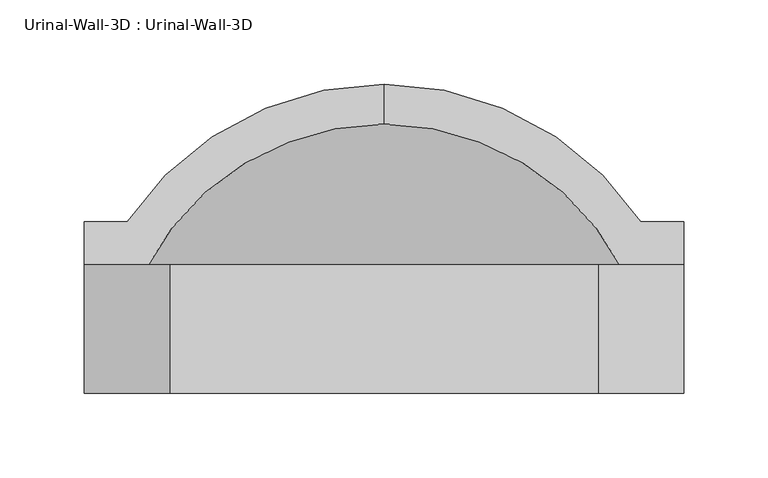
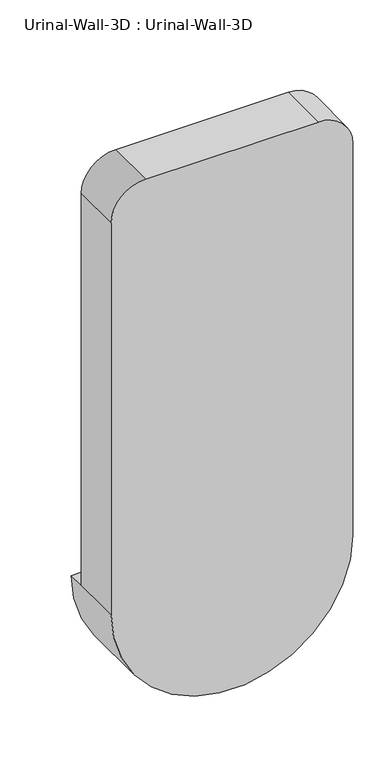
"""IFC4 building model written with IfcOpenShell, lengths in millimetres: flow terminal geometry, Urinal-Wall-3D : Urinal-Wall-3D."""

from ifc_helpers import new_model, si_unit, point, frame, origin, place, context, project, spatial, polyline, circle_curve, ellipse_curve, trimmed, source, transform, mapped, element, save
from ifc_brep_helpers import plane_surface, cylinder_surface, revolved_surface, advanced_brep


def urinal_wall_3d_urinal_wall_3d_349d4284(model_context):
    return source(origin(), model_context, "Body", "AdvancedBrep", [
        advanced_brep(
        [(-109.0745999, 245.0745048, 609.6), (-109.0745999, 221.3572043, 609.6), (43.3254001, 108.7831063, 609.6), (43.3254001, 138.1125, 609.6), (68.7254001, 138.1125, 609.6), (68.7254001, 163.5125, 609.6), (43.3254001, 163.5125, 609.6), (-261.4745999, 163.5125, 609.6), (-286.8745999, 163.5125, 609.6), (-286.8745999, 138.1125, 609.6), (-261.4745999, 138.1125, 609.6), (-261.4745999, 108.7831063, 609.6), (-261.4745999, 74.6125, 609.6), (43.3254001, 74.6125, 609.6), (-286.8745999, 61.9125, 609.6), (68.7254001, 61.9125, 609.6), (68.7254001, 61.9125, 1219.2), (17.9254001, 61.9125, 1270.0), (-236.0745999, 61.9125, 1270.0), (-286.8745999, 61.9125, 1219.2), (43.3254001, 138.1125, 1168.4), (-7.4745999, 138.1125, 1219.2), (-210.6745999, 138.1125, 1219.2), (-261.4745999, 138.1125, 1168.4), (-286.8745999, 138.1125, 1219.2), (-236.0745999, 138.1125, 1270.0), (17.9254001, 138.1125, 1270.0), (68.7254001, 138.1125, 1219.2), (43.3254001, 74.6125, 1168.4), (-7.4745999, 74.6125, 1219.2), (-210.6745999, 74.6125, 1219.2), (-261.4745999, 74.6125, 1168.4)],
        [
            (0, 1),
            (1, 2, circle_curve(frame((-109.0745999, 61.9125, 609.6), z_axis=(0.0, 0.0, -1.0), x_axis=(1.0, 0.0, 0.0)), 159.4447043)),
            (2, 3),
            (3, 4),
            (4, 5),
            (5, 6),
            (6, 0, circle_curve(frame((-109.0745999, 61.9125, 609.6), z_axis=(0.0, 0.0, 1.0), x_axis=(1.0, 0.0, 0.0)), 183.1620048)),
            (0, 7, circle_curve(frame((-109.0745999, 61.9125, 609.6), z_axis=(0.0, 0.0, 1.0), x_axis=(-1.0, 0.0, 0.0)), 183.1620048)),
            (7, 8),
            (8, 9),
            (9, 10),
            (10, 11),
            (11, 1, circle_curve(frame((-109.0745999, 61.9125, 609.6), z_axis=(0.0, 0.0, -1.0), x_axis=(-1.0, 0.0, 0.0)), 159.4447043)),
            (11, 2, circle_curve(frame((-109.0745999, 108.7831063, 609.6), z_axis=(0.0, -1.0, 0.0), x_axis=(1.0, 0.0, 0.0)), 152.4)),
            (11, 12),
            (12, 13, circle_curve(frame((-109.0745999, 74.6125, 609.6), z_axis=(0.0, -1.0, 0.0), x_axis=(1.0, 0.0, 0.0)), 152.4)),
            (13, 2),
            (14, 15, circle_curve(frame((-109.0745999, 61.9125, 609.6), z_axis=(0.0, -1.0, 0.0), x_axis=(1.0, 0.0, 0.0)), 177.8)),
            (15, 16),
            (16, 17, circle_curve(frame((17.9254001, 61.9125, 1219.2), z_axis=(0.0, -1.0, 0.0), x_axis=(-1.0, 0.0, 0.0)), 50.8)),
            (17, 18),
            (18, 19, circle_curve(frame((-236.0745999, 61.9125, 1219.2), z_axis=(0.0, -1.0, 0.0), x_axis=(-1.0, 0.0, 0.0)), 50.8)),
            (19, 14),
            (14, 9),
            (8, 5, circle_curve(frame((-109.0745999, 163.5125, 609.6), z_axis=(0.0, -1.0, 0.0), x_axis=(1.0, 0.0, 0.0)), 177.8)),
            (4, 15),
            (7, 6, circle_curve(frame((-109.0745999, 163.5125, 609.6), z_axis=(0.0, -1.0, 0.0), x_axis=(1.0, 0.0, 0.0)), 152.4)),
            (3, 20),
            (20, 21, circle_curve(frame((-7.4745999, 138.1125, 1168.4), z_axis=(0.0, -1.0, 0.0), x_axis=(-1.0, 0.0, 0.0)), 50.8)),
            (21, 22),
            (22, 23, circle_curve(frame((-210.6745999, 138.1125, 1168.4), z_axis=(0.0, -1.0, 0.0), x_axis=(-1.0, 0.0, 0.0)), 50.8)),
            (23, 10),
            (9, 24),
            (24, 25, circle_curve(frame((-236.0745999, 138.1125, 1219.2), z_axis=(0.0, 1.0, 0.0), x_axis=(-1.0, 0.0, 0.0)), 50.8)),
            (25, 26),
            (26, 27, circle_curve(frame((17.9254001, 138.1125, 1219.2), z_axis=(0.0, 1.0, 0.0), x_axis=(-1.0, 0.0, 0.0)), 50.8)),
            (27, 4),
            (13, 28),
            (28, 20),
            (28, 29, circle_curve(frame((-7.4745999, 74.6125, 1168.4), z_axis=(0.0, -1.0, 0.0), x_axis=(-1.0, 0.0, 0.0)), 50.8)),
            (29, 21),
            (29, 30),
            (30, 22),
            (30, 31, circle_curve(frame((-210.6745999, 74.6125, 1168.4), z_axis=(0.0, -1.0, 0.0), x_axis=(-1.0, 0.0, 0.0)), 50.8)),
            (31, 23),
            (31, 12),
            (19, 24),
            (18, 25),
            (17, 26),
            (16, 27),
        ],
        [
            plane_surface(frame((-109.0745999, 351.1229173, 609.6), z_axis=(0.0, 0.0, 1.0), x_axis=(1.0, 0.0, 0.0))),
            plane_surface(frame((-109.0745999, 351.1229173, 609.6), z_axis=(0.0, 0.0, 1.0), x_axis=(-1.0, 0.0, 0.0))),
            revolved_surface(trimmed(ellipse_curve(frame((-109.0745999, 61.9125, 609.6), z_axis=(0.0, 0.0, -1.0), x_axis=(1.0, 0.0, 0.0)), 159.4447043, 159.4447043), [point((-109.0745999, 221.3572043, 609.6))], [point((43.3254001, 108.7831063, 609.6))], True, "CARTESIAN"), (-109.0745999, 351.1229173, 609.6), (0.0, 1.0, 0.0)),
            revolved_surface(polyline([(43.32540010000001, 108.78310629999999, 609.6), (43.32540010000001, 74.61250000000001, 609.6)]), (-109.0745999, 351.1229173, 609.6), (0.0, 1.0, 0.0)),
            plane_surface(frame((-109.0745999, 61.9125, 609.6), z_axis=(0.0, -1.0, 0.0), x_axis=(1.0, 0.0, 0.0))),
            cylinder_surface(frame((-109.0745999, 351.1229173, 609.6), z_axis=(0.0, 1.0, 0.0), x_axis=(1.0, 0.0, 0.0)), 177.8),
            plane_surface(frame((-109.0745999, 163.5125, 609.6), z_axis=(0.0, 1.0, 0.0), x_axis=(1.0, 0.0, 0.0))),
            revolved_surface(trimmed(ellipse_curve(frame((-109.0745999, 61.9125, 609.6), z_axis=(0.0, 0.0, 1.0), x_axis=(1.0, 0.0, 0.0)), 183.1620048, 183.1620048), [point((43.3254001, 163.5125, 609.6))], [point((-109.0745999, 245.0745048, 609.6))], True, "CARTESIAN"), (-109.0745999, 351.1229173, 609.6), (0.0, 1.0, 0.0)),
            plane_surface(frame((43.3254001, 138.1125, 609.6), z_axis=(0.0, 1.0, 0.0), x_axis=(0.0, 0.0, 1.0))),
            plane_surface(frame((43.3254001, 138.1125, 609.6), z_axis=(-1.0, 0.0, 0.0), x_axis=(0.0, -1.0, 0.0))),
            revolved_surface(polyline([(-58.2745999, 74.6125, 1168.4), (-58.2745999, 138.1125, 1168.4)]), (-7.4745999, 61.9125, 1168.4), (0.0, -1.0, 0.0)),
            plane_surface(frame((-7.4745999, 138.1125, 1219.2), z_axis=(0.0, 0.0, -1.0), x_axis=(0.0, -1.0, 0.0))),
            revolved_surface(polyline([(-261.4745999, 74.6125, 1168.4), (-261.4745999, 138.1125, 1168.4)]), (-210.6745999, 61.9125, 1168.4), (0.0, -1.0, 0.0)),
            plane_surface(frame((-261.4745999, 138.1125, 1168.4), z_axis=(1.0, 0.0, 0.0), x_axis=(0.0, -1.0, 0.0))),
            plane_surface(frame((-286.8745999, 138.1125, 609.6), z_axis=(-1.0, 0.0, 0.0), x_axis=(0.0, -1.0, 0.0))),
            cylinder_surface(frame((-236.0745999, 61.9125, 1219.2), z_axis=(0.0, 1.0, 0.0), x_axis=(-1.0, 0.0, 0.0)), 50.8),
            plane_surface(frame((-236.0745999, 138.1125, 1270.0), z_axis=(0.0, 0.0, 1.0), x_axis=(0.0, -1.0, 0.0))),
            cylinder_surface(frame((17.9254001, 61.9125, 1219.2), z_axis=(0.0, 1.0, 0.0), x_axis=(-1.0, 0.0, 0.0)), 50.8),
            plane_surface(frame((68.7254001, 138.1125, 1219.2), z_axis=(1.0, 0.0, 0.0), x_axis=(0.0, -1.0, 0.0))),
            plane_surface(frame((43.3254001, 74.6125, 609.6), z_axis=(0.0, 1.0, 0.0), x_axis=(0.0, 0.0, -1.0))),
        ],
        [
            (0, [[1, 2, 3, 4, 5, 6, 7]]),
            (1, [[-1, 8, 9, 10, 11, 12, 13]]),
            (2, [[-2, -13, 14]]),
            (3, [[-14, 15, 16, 17]]),
            (4, [[18, 19, 20, 21, 22, 23]]),
            (5, [[-18, 24, -10, 25, -5, 26]]),
            (6, [[-6, -25, -9, 27]]),
            (7, [[-7, -27, -8]]),
            (8, [[28, 29, 30, 31, 32, -11, 33, 34, 35, 36, 37, -4]]),
            (9, [[-28, -3, -17, 38, 39]]),
            (10, [[-29, -39, 40, 41]]),
            (11, [[-30, -41, 42, 43]]),
            (12, [[-31, -43, 44, 45]]),
            (13, [[-32, -45, 46, -15, -12]]),
            (14, [[-33, -24, -23, 47]]),
            (15, [[-34, -47, -22, 48]]),
            (16, [[-35, -48, -21, 49]]),
            (17, [[-36, -49, -20, 50]]),
            (18, [[-37, -50, -19, -26]]),
            (19, [[-16, -46, -44, -42, -40, -38]]),
        ],
    ),
    ])


if __name__ == "__main__":
    model = new_model("IFC4")
    model_context = context("Model", 3, world=origin())
    ifc_project = project(units=[si_unit("LENGTHUNIT", "METRE", prefix="MILLI")], contexts=[model_context])
    site = spatial("IfcSite", under=ifc_project)
    building = spatial("IfcBuilding", under=site)
    placement = place(None, origin())
    urinal_wall_3d_urinal_wall_3d_shape = urinal_wall_3d_urinal_wall_3d_349d4284(model_context)
    element("IfcFlowTerminal", 1, ObjectType="Urinal-Wall-3D : Urinal-Wall-3D", at=placement, inside=building, context=model_context, shape_type="MappedRepresentation", body=[
        mapped(urinal_wall_3d_urinal_wall_3d_shape, transform((0.0, 0.0, 0.0), x_axis=(1.0, 0.0, 0.0), y_axis=(0.0, 1.0, 0.0), z_axis=(0.0, 0.0, 1.0))),
    ])
    save(model, "model.ifc")
